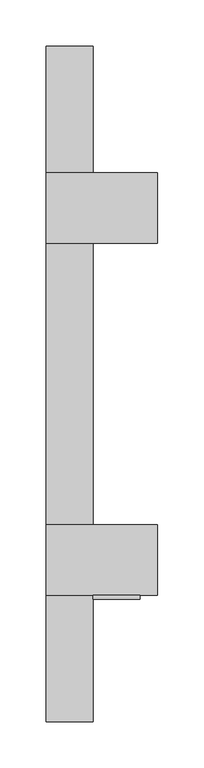
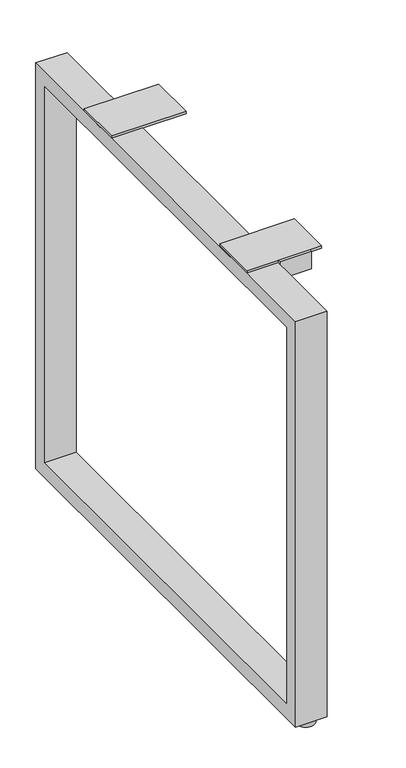
"""IFC4 building model written with IfcOpenShell, lengths in millimetres: furniture geometry."""

from ifc_helpers import new_model, si_unit, frame, origin, place, context, project, spatial, polyline, circle_curve, outline, extrude, source, transform, mapped, element, save
from ifc_brep_helpers import plane_surface, cylinder_surface, advanced_brep


def furniture_a13fed55(model_context):
    return source(origin(), model_context, "Body", "SolidModel", [
        extrude(outline(polyline([(260.9400201, 702.6656222), (260.9400201, 8.6614), (-468.5479799, 8.6614), (-468.5479799, 702.6656222), (260.9400201, 702.6656222)]), holes=[polyline([(235.5400201, 677.2656222), (-443.1479799, 677.2656222), (-443.1479799, 34.0614), (235.5400201, 34.0614), (235.5400201, 677.2656222)])]), frame((-761.998801, 0.0, 0.0), z_axis=(1.0, 0.0, 0.0), x_axis=(0.0, 1.0, 0.0)), (0.0, 0.0, 1.0), 50.7994011),
        extrude(outline(polyline([(-336.3409799, 677.2910222), (-336.3409799, 707.0090222), (-332.0229799, 707.0090222), (-332.0229799, 681.6344222), (-310.9409799, 681.6344222), (-310.9409799, 677.2910222), (-336.3409799, 677.2910222)])), frame((-711.198801, 0.0, 0.0), z_axis=(1.0, 0.0, 0.0), x_axis=(0.0, 1.0, 0.0)), (0.0, 0.0, 1.0), 50.8),
        advanced_brep(
        [(-722.3116005, 245.0650201, 0.0), (-750.8866005, 245.0650201, 0.0), (-736.5991005, 245.0650201, 0.0), (-722.3116005, 245.0650201, 7.874), (-750.8866005, 245.0650201, 7.874), (-731.8366005, 245.0650201, 7.874), (-741.3616005, 245.0650201, 7.874), (-731.8366005, 245.0650201, 8.6614), (-741.3616005, 245.0650201, 8.6614), (-736.5991005, 245.0650201, 8.6614)],
        [
            (0, 1, circle_curve(frame((-736.5991005, 245.0650201, 0.0), z_axis=(0.0, 0.0, -1.0), x_axis=(-1.0, 0.0, 0.0)), 14.2875)),
            (1, 2),
            (2, 0),
            (1, 0, circle_curve(frame((-736.5991005, 245.0650201, 0.0), z_axis=(0.0, 0.0, -1.0), x_axis=(-1.0, 0.0, 0.0)), 14.2875)),
            (3, 4, circle_curve(frame((-736.5991005, 245.0650201, 7.874), z_axis=(0.0, 0.0, -1.0), x_axis=(-1.0, 0.0, 0.0)), 14.2875)),
            (4, 1),
            (0, 3),
            (4, 3, circle_curve(frame((-736.5991005, 245.0650201, 7.874), z_axis=(0.0, 0.0, -1.0), x_axis=(-1.0, 0.0, 0.0)), 14.2875)),
            (5, 6, circle_curve(frame((-736.5991005, 245.0650201, 7.874), z_axis=(0.0, 0.0, -1.0), x_axis=(-1.0, 0.0, 0.0)), 4.7625)),
            (6, 4),
            (3, 5),
            (6, 5, circle_curve(frame((-736.5991005, 245.0650201, 7.874), z_axis=(0.0, 0.0, -1.0), x_axis=(-1.0, 0.0, 0.0)), 4.7625)),
            (7, 8, circle_curve(frame((-736.5991005, 245.0650201, 8.6614), z_axis=(0.0, 0.0, -1.0), x_axis=(-1.0, 0.0, 0.0)), 4.7625)),
            (8, 6),
            (5, 7),
            (8, 7, circle_curve(frame((-736.5991005, 245.0650201, 8.6614), z_axis=(0.0, 0.0, -1.0), x_axis=(-1.0, 0.0, 0.0)), 4.7625)),
            (9, 8),
            (7, 9),
        ],
        [
            plane_surface(frame((-736.5991005, 245.0650201, 0.0), z_axis=(0.0, 0.0, -1.0), x_axis=(-1.0, 0.0, 0.0))),
            cylinder_surface(frame((-736.5991005, 245.0650201, -2.6032322), z_axis=(0.0, 0.0, 1.0), x_axis=(-1.0, 0.0, 0.0)), 14.2875),
            plane_surface(frame((-736.5991005, 245.0650201, 7.874), z_axis=(0.0, 0.0, 1.0), x_axis=(-1.0, 0.0, 0.0))),
            cylinder_surface(frame((-736.5991005, 245.0650201, -2.6032322), z_axis=(0.0, 0.0, 1.0), x_axis=(-1.0, 0.0, 0.0)), 4.7625),
            plane_surface(frame((-736.5991005, 245.0650201, 8.6614), z_axis=(0.0, 0.0, 1.0), x_axis=(-1.0, 0.0, 0.0))),
        ],
        [
            (0, [[1, 2, 3]]),
            (0, [[4, -3, -2]]),
            (1, [[5, 6, -1, 7]]),
            (1, [[8, -7, -4, -6]]),
            (2, [[9, 10, -5, 11]]),
            (2, [[12, -11, -8, -10]]),
            (3, [[13, 14, -9, 15]]),
            (3, [[16, -15, -12, -14]]),
            (4, [[17, -13, 18]]),
            (4, [[-18, -16, -17]]),
        ],
    ),
        extrude(outline(polyline([(-641.348801, -255.8229799), (-641.348801, -332.0229799), (-761.998801, -332.0229799), (-761.998801, -255.8229799), (-641.348801, -255.8229799)])), frame((0.0, 0.0, 702.6656222), z_axis=(0.0, 0.0, 1.0), x_axis=(1.0, 0.0, 0.0)), (0.0, 0.0, 1.0), 4.3434),
        extrude(outline(polyline([(-641.348801, 124.4150201), (-641.348801, 48.2150201), (-761.998801, 48.2150201), (-761.998801, 124.4150201), (-641.348801, 124.4150201)])), frame((0.0, 0.0, 702.6656222), z_axis=(0.0, 0.0, 1.0), x_axis=(1.0, 0.0, 0.0)), (0.0, 0.0, 1.0), 4.3434),
        advanced_brep(
        [(-722.3116005, -452.6729799, 0.0), (-750.8866005, -452.6729799, 0.0), (-736.5991005, -452.6729799, 0.0), (-722.3116005, -452.6729799, 7.874), (-750.8866005, -452.6729799, 7.874), (-731.8366005, -452.6729799, 7.874), (-741.3616005, -452.6729799, 7.874), (-731.8366005, -452.6729799, 8.6614), (-741.3616005, -452.6729799, 8.6614), (-736.5991005, -452.6729799, 8.6614)],
        [
            (0, 1, circle_curve(frame((-736.5991005, -452.6729799, 0.0), z_axis=(0.0, 0.0, -1.0), x_axis=(-1.0, 0.0, 0.0)), 14.2875)),
            (1, 2),
            (2, 0),
            (1, 0, circle_curve(frame((-736.5991005, -452.6729799, 0.0), z_axis=(0.0, 0.0, -1.0), x_axis=(-1.0, 0.0, 0.0)), 14.2875)),
            (3, 4, circle_curve(frame((-736.5991005, -452.6729799, 7.874), z_axis=(0.0, 0.0, -1.0), x_axis=(-1.0, 0.0, 0.0)), 14.2875)),
            (4, 1),
            (0, 3),
            (4, 3, circle_curve(frame((-736.5991005, -452.6729799, 7.874), z_axis=(0.0, 0.0, -1.0), x_axis=(-1.0, 0.0, 0.0)), 14.2875)),
            (5, 6, circle_curve(frame((-736.5991005, -452.6729799, 7.874), z_axis=(0.0, 0.0, -1.0), x_axis=(-1.0, 0.0, 0.0)), 4.7625)),
            (6, 4),
            (3, 5),
            (6, 5, circle_curve(frame((-736.5991005, -452.6729799, 7.874), z_axis=(0.0, 0.0, -1.0), x_axis=(-1.0, 0.0, 0.0)), 4.7625)),
            (7, 8, circle_curve(frame((-736.5991005, -452.6729799, 8.6614), z_axis=(0.0, 0.0, -1.0), x_axis=(-1.0, 0.0, 0.0)), 4.7625)),
            (8, 6),
            (5, 7),
            (8, 7, circle_curve(frame((-736.5991005, -452.6729799, 8.6614), z_axis=(0.0, 0.0, -1.0), x_axis=(-1.0, 0.0, 0.0)), 4.7625)),
            (9, 8),
            (7, 9),
        ],
        [
            plane_surface(frame((-736.5991005, -452.6729799, 0.0), z_axis=(0.0, 0.0, -1.0), x_axis=(-1.0, 0.0, 0.0))),
            cylinder_surface(frame((-736.5991005, -452.6729799, -2.6032322), z_axis=(0.0, 0.0, 1.0), x_axis=(-1.0, 0.0, 0.0)), 14.2875),
            plane_surface(frame((-736.5991005, -452.6729799, 7.874), z_axis=(0.0, 0.0, 1.0), x_axis=(-1.0, 0.0, 0.0))),
            cylinder_surface(frame((-736.5991005, -452.6729799, -2.6032322), z_axis=(0.0, 0.0, 1.0), x_axis=(-1.0, 0.0, 0.0)), 4.7625),
            plane_surface(frame((-736.5991005, -452.6729799, 8.6614), z_axis=(0.0, 0.0, 1.0), x_axis=(-1.0, 0.0, 0.0))),
        ],
        [
            (0, [[1, 2, 3]]),
            (0, [[4, -3, -2]]),
            (1, [[5, 6, -1, 7]]),
            (1, [[8, -7, -4, -6]]),
            (2, [[9, 10, -5, 11]]),
            (2, [[12, -11, -8, -10]]),
            (3, [[13, 14, -9, 15]]),
            (3, [[16, -15, -12, -14]]),
            (4, [[17, -13, 18]]),
            (4, [[-18, -16, -17]]),
        ],
    ),
    ])


if __name__ == "__main__":
    model = new_model("IFC4")
    model_context = context("Model", 3, world=origin())
    ifc_project = project(units=[si_unit("LENGTHUNIT", "METRE", prefix="MILLI")], contexts=[model_context])
    site = spatial("IfcSite", under=ifc_project)
    building = spatial("IfcBuilding", under=site)
    placement = place(None, origin())
    furniture_shape = furniture_a13fed55(model_context)
    element("IfcFurniture", 1, at=placement, inside=building, context=model_context, shape_type="MappedRepresentation", body=[
        mapped(furniture_shape, transform((0.0, 0.0, 0.0), x_axis=(1.0, 0.0, 0.0), y_axis=(0.0, 1.0, 0.0), z_axis=(0.0, 0.0, 1.0))),
    ])
    save(model, "model.ifc")
